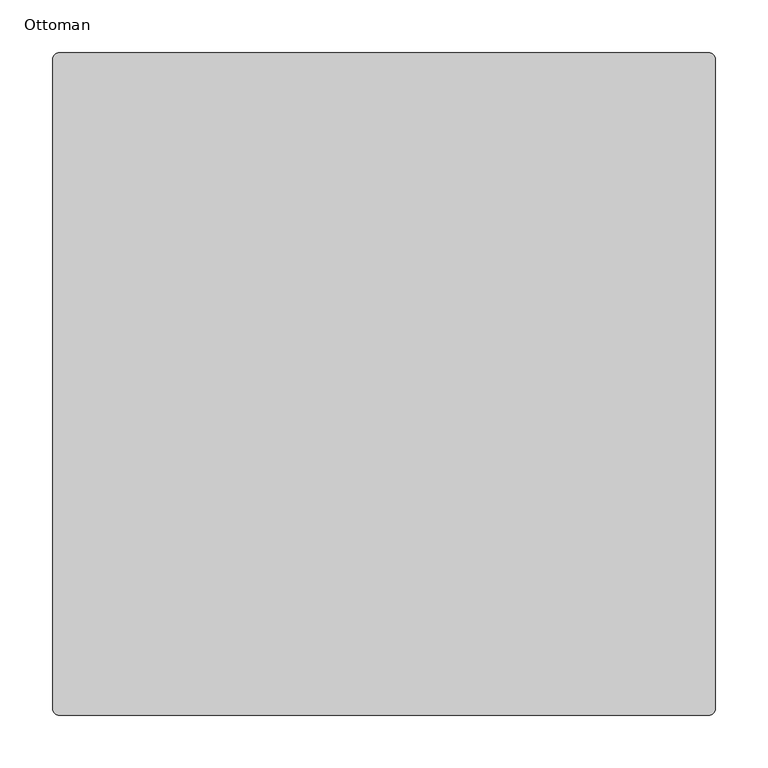
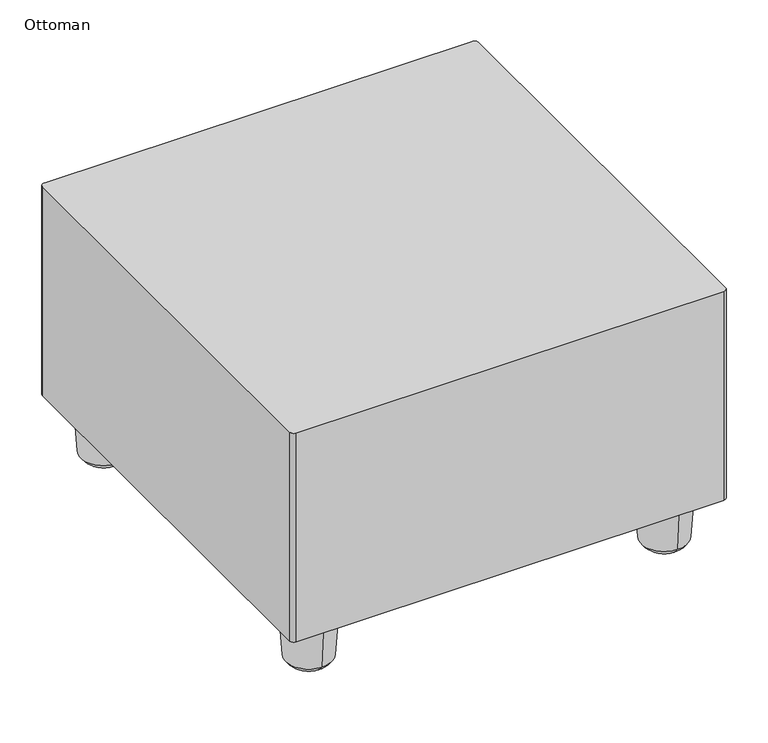
"""IFC4 building model written with IfcOpenShell, lengths in millimetres: furniture geometry, Ottoman."""

from ifc_helpers import new_model, si_unit, point, frame, frame_2d, origin, place, context, project, spatial, polyline, circle_curve, ellipse_curve, trimmed, segment, composite_curve, outline, extrude, source, transform, mapped, element, save
from ifc_brep_helpers import plane_surface, revolved_surface, advanced_brep


def ottoman_3cd3b6d3(model_context):
    return source(origin(), model_context, "Body", "SolidModel", [
        advanced_brep(
        [(-255.3853971, 290.6804747, 16.9889191), (-255.3853971, 224.5374995, 16.9889191), (-255.3853971, 219.5089871, 88.899997), (-255.3853971, 295.7089871, 88.899997), (-255.3853971, 257.6089871, 0.0), (-255.3853971, 257.6089871, 88.899997)],
        [
            (0, 1, circle_curve(frame((-255.3853971, 257.6089871, 16.9889191), z_axis=(0.0, 0.0, 1.0), x_axis=(0.0, -1.0, 0.0)), 33.0714876)),
            (1, 2),
            (2, 3, circle_curve(frame((-255.3853971, 257.6089871, 88.899997), z_axis=(0.0, 0.0, -1.0), x_axis=(0.0, -1.0, 0.0)), 38.1)),
            (3, 0),
            (1, 0, circle_curve(frame((-255.3853971, 257.6089871, 16.9889191), z_axis=(0.0, 0.0, 1.0), x_axis=(0.0, -1.0, 0.0)), 33.0714876)),
            (3, 2, circle_curve(frame((-255.3853971, 257.6089871, 88.899997), z_axis=(0.0, 0.0, -1.0), x_axis=(0.0, -1.0, 0.0)), 38.1)),
            (4, 1, circle_curve(frame((-255.3853971, 255.6717107, 36.9125731), z_axis=(-1.0, 0.0, 0.0), x_axis=(0.0, -1.0, 0.0)), 36.963375)),
            (0, 4, circle_curve(frame((-255.3853971, 259.5462635, 36.9125731), z_axis=(-1.0, 0.0, 0.0), x_axis=(0.0, 1.0, 0.0)), 36.963375)),
            (2, 5),
            (5, 3),
        ],
        [
            revolved_surface(polyline([(-255.3853971, 219.5089871, 88.899997), (-255.3853971, 224.5374995, 16.9889191)]), (-255.3853971, 257.6089871, 31.75), (0.0, 0.0, -1.0)),
            revolved_surface(trimmed(ellipse_curve(frame((-255.3853971, 255.6717107, 36.9125731), z_axis=(1.0, 0.0, 0.0), x_axis=(0.0, -1.0, 0.0)), 36.963375, 36.963375), [point((-255.3853971, 224.5374995, 16.9889191))], [point((-255.3853971, 257.6089871, 0.0))], True, "CARTESIAN"), (-255.3853971, 257.6089871, 31.75), (0.0, 0.0, -1.0)),
            plane_surface(frame((-255.3853971, 257.6089871, 88.899997), z_axis=(0.0, 0.0, 1.0), x_axis=(0.0, -1.0, 0.0))),
        ],
        [
            (0, [[1, 2, 3, 4]]),
            (0, [[5, -4, 6, -2]]),
            (1, [[7, -1, 8]]),
            (1, [[-8, -5, -7]]),
            (2, [[-3, 9, 10]]),
            (2, [[-6, -10, -9]]),
        ],
    ),
        advanced_brep(
        [(-255.3853971, -221.369951, 16.9889191), (-255.3853971, -287.5129262, 16.9889191), (-255.3853971, -292.5414386, 88.899997), (-255.3853971, -216.3414386, 88.899997), (-255.3853971, -254.4414386, 0.0), (-255.3853971, -254.4414386, 88.899997)],
        [
            (0, 1, circle_curve(frame((-255.3853971, -254.4414386, 16.9889191), z_axis=(0.0, 0.0, 1.0), x_axis=(0.0, -1.0, 0.0)), 33.0714876)),
            (1, 2),
            (2, 3, circle_curve(frame((-255.3853971, -254.4414386, 88.899997), z_axis=(0.0, 0.0, -1.0), x_axis=(0.0, -1.0, 0.0)), 38.1)),
            (3, 0),
            (1, 0, circle_curve(frame((-255.3853971, -254.4414386, 16.9889191), z_axis=(0.0, 0.0, 1.0), x_axis=(0.0, -1.0, 0.0)), 33.0714876)),
            (3, 2, circle_curve(frame((-255.3853971, -254.4414386, 88.899997), z_axis=(0.0, 0.0, -1.0), x_axis=(0.0, -1.0, 0.0)), 38.1)),
            (4, 1, circle_curve(frame((-255.3853971, -256.378715, 36.9125731), z_axis=(-1.0, 0.0, 0.0), x_axis=(0.0, -1.0, 0.0)), 36.963375)),
            (0, 4, circle_curve(frame((-255.3853971, -252.5041622, 36.9125731), z_axis=(-1.0, 0.0, 0.0), x_axis=(0.0, 1.0, 0.0)), 36.963375)),
            (2, 5),
            (5, 3),
        ],
        [
            revolved_surface(polyline([(-255.3853971, -292.5414386, 88.899997), (-255.3853971, -287.5129262, 16.9889191)]), (-255.3853971, -254.4414386, 31.75), (0.0, 0.0, -1.0)),
            revolved_surface(trimmed(ellipse_curve(frame((-255.3853971, -256.378715, 36.9125731), z_axis=(1.0, 0.0, 0.0), x_axis=(0.0, -1.0, 0.0)), 36.963375, 36.963375), [point((-255.3853971, -287.5129262, 16.9889191))], [point((-255.3853971, -254.4414386, 0.0))], True, "CARTESIAN"), (-255.3853971, -254.4414386, 31.75), (0.0, 0.0, -1.0)),
            plane_surface(frame((-255.3853971, -254.4414386, 88.899997), z_axis=(0.0, 0.0, 1.0), x_axis=(0.0, -1.0, 0.0))),
        ],
        [
            (0, [[1, 2, 3, 4]]),
            (0, [[5, -4, 6, -2]]),
            (1, [[7, -1, 8]]),
            (1, [[-8, -5, -7]]),
            (2, [[-3, 9, 10]]),
            (2, [[-6, -10, -9]]),
        ],
    ),
        advanced_brep(
        [(256.9513355, 290.6804747, 16.9889191), (256.9513355, 224.5374995, 16.9889191), (256.9513355, 219.5089871, 88.899997), (256.9513355, 295.7089871, 88.899997), (256.9513355, 257.6089871, 0.0), (256.9513355, 257.6089871, 88.899997)],
        [
            (0, 1, circle_curve(frame((256.9513355, 257.6089871, 16.9889191), z_axis=(0.0, 0.0, 1.0), x_axis=(0.0, -1.0, 0.0)), 33.0714876)),
            (1, 2),
            (2, 3, circle_curve(frame((256.9513355, 257.6089871, 88.899997), z_axis=(0.0, 0.0, -1.0), x_axis=(0.0, -1.0, 0.0)), 38.1)),
            (3, 0),
            (1, 0, circle_curve(frame((256.9513355, 257.6089871, 16.9889191), z_axis=(0.0, 0.0, 1.0), x_axis=(0.0, -1.0, 0.0)), 33.0714876)),
            (3, 2, circle_curve(frame((256.9513355, 257.6089871, 88.899997), z_axis=(0.0, 0.0, -1.0), x_axis=(0.0, -1.0, 0.0)), 38.1)),
            (4, 1, circle_curve(frame((256.9513355, 255.6717107, 36.9125731), z_axis=(-1.0, 0.0, 0.0), x_axis=(0.0, -1.0, 0.0)), 36.963375)),
            (0, 4, circle_curve(frame((256.9513355, 259.5462635, 36.9125731), z_axis=(-1.0, 0.0, 0.0), x_axis=(0.0, 1.0, 0.0)), 36.963375)),
            (2, 5),
            (5, 3),
        ],
        [
            revolved_surface(polyline([(256.9513355, 219.5089871, 88.899997), (256.9513355, 224.5374995, 16.9889191)]), (256.9513355, 257.6089871, 31.75), (0.0, 0.0, -1.0)),
            revolved_surface(trimmed(ellipse_curve(frame((256.9513355, 255.6717107, 36.9125731), z_axis=(1.0, 0.0, 0.0), x_axis=(0.0, -1.0, 0.0)), 36.963375, 36.963375), [point((256.9513355, 224.5374995, 16.9889191))], [point((256.9513355, 257.6089871, 0.0))], True, "CARTESIAN"), (256.9513355, 257.6089871, 31.75), (0.0, 0.0, -1.0)),
            plane_surface(frame((256.9513355, 257.6089871, 88.899997), z_axis=(0.0, 0.0, 1.0), x_axis=(0.0, -1.0, 0.0))),
        ],
        [
            (0, [[1, 2, 3, 4]]),
            (0, [[5, -4, 6, -2]]),
            (1, [[7, -1, 8]]),
            (1, [[-8, -5, -7]]),
            (2, [[-3, 9, 10]]),
            (2, [[-6, -10, -9]]),
        ],
    ),
        advanced_brep(
        [(256.9513355, -221.369951, 16.9889191), (256.9513355, -287.5129262, 16.9889191), (256.9513355, -292.5414386, 88.899997), (256.9513355, -216.3414386, 88.899997), (256.9513355, -254.4414386, 0.0), (256.9513355, -254.4414386, 88.899997)],
        [
            (0, 1, circle_curve(frame((256.9513355, -254.4414386, 16.9889191), z_axis=(0.0, 0.0, 1.0), x_axis=(0.0, -1.0, 0.0)), 33.0714876)),
            (1, 2),
            (2, 3, circle_curve(frame((256.9513355, -254.4414386, 88.899997), z_axis=(0.0, 0.0, -1.0), x_axis=(0.0, -1.0, 0.0)), 38.1)),
            (3, 0),
            (1, 0, circle_curve(frame((256.9513355, -254.4414386, 16.9889191), z_axis=(0.0, 0.0, 1.0), x_axis=(0.0, -1.0, 0.0)), 33.0714876)),
            (3, 2, circle_curve(frame((256.9513355, -254.4414386, 88.899997), z_axis=(0.0, 0.0, -1.0), x_axis=(0.0, -1.0, 0.0)), 38.1)),
            (4, 1, circle_curve(frame((256.9513355, -256.378715, 36.9125731), z_axis=(-1.0, 0.0, 0.0), x_axis=(0.0, -1.0, 0.0)), 36.963375)),
            (0, 4, circle_curve(frame((256.9513355, -252.5041622, 36.9125731), z_axis=(-1.0, 0.0, 0.0), x_axis=(0.0, 1.0, 0.0)), 36.963375)),
            (2, 5),
            (5, 3),
        ],
        [
            revolved_surface(polyline([(256.9513355, -292.5414386, 88.899997), (256.9513355, -287.5129262, 16.9889191)]), (256.9513355, -254.4414386, 31.75), (0.0, 0.0, -1.0)),
            revolved_surface(trimmed(ellipse_curve(frame((256.9513355, -256.378715, 36.9125731), z_axis=(1.0, 0.0, 0.0), x_axis=(0.0, -1.0, 0.0)), 36.963375, 36.963375), [point((256.9513355, -287.5129262, 16.9889191))], [point((256.9513355, -254.4414386, 0.0))], True, "CARTESIAN"), (256.9513355, -254.4414386, 31.75), (0.0, 0.0, -1.0)),
            plane_surface(frame((256.9513355, -254.4414386, 88.899997), z_axis=(0.0, 0.0, 1.0), x_axis=(0.0, -1.0, 0.0))),
        ],
        [
            (0, [[1, 2, 3, 4]]),
            (0, [[5, -4, 6, -2]]),
            (1, [[7, -1, 8]]),
            (1, [[-8, -5, -7]]),
            (2, [[-3, 9, 10]]),
            (2, [[-6, -10, -9]]),
        ],
    ),
        extrude(outline(composite_curve([segment(trimmed(circle_curve(frame_2d((307.9114864, 307.9114864)), 6.35), [point((307.9114864, 314.2614864))], [point((314.2614864, 307.9114864))], False, "CARTESIAN"), True, "CONTINUOUS"), segment(polyline([(314.2614864, 307.9114864), (314.2614864, -307.9115228)]), True, "CONTINUOUS"), segment(trimmed(circle_curve(frame_2d((307.9114864, -307.9115228)), 6.35), [point((314.2614864, -307.9115228))], [point((307.9114864, -314.2615228))], False, "CARTESIAN"), True, "CONTINUOUS"), segment(polyline([(307.9114864, -314.2615228), (-307.9115228, -314.2615228)]), True, "CONTINUOUS"), segment(trimmed(circle_curve(frame_2d((-307.9115228, -307.9115228)), 6.35), [point((-307.9115228, -314.2615228))], [point((-314.2615228, -307.9115228))], False, "CARTESIAN"), True, "CONTINUOUS"), segment(polyline([(-314.2615228, -307.9115228), (-314.2615228, 307.9114864)]), True, "CONTINUOUS"), segment(trimmed(circle_curve(frame_2d((-307.9115228, 307.9114864)), 6.35), [point((-314.2615228, 307.9114864))], [point((-307.9115228, 314.2614864))], False, "CARTESIAN"), True, "CONTINUOUS"), segment(polyline([(-307.9115228, 314.2614864), (307.9114864, 314.2614864)]), True, "CONTINUOUS")], self_intersect=False)), frame((0.0, 0.0, 90.4240046), z_axis=(0.0, 0.0, 1.0), x_axis=(1.0, 0.0, 0.0)), (0.0, 0.0, 1.0), 318.5160051),
    ])


if __name__ == "__main__":
    model = new_model("IFC4")
    model_context = context("Model", 3, world=origin())
    ifc_project = project(units=[si_unit("LENGTHUNIT", "METRE", prefix="MILLI")], contexts=[model_context])
    site = spatial("IfcSite", under=ifc_project)
    building = spatial("IfcBuilding", under=site)
    placement = place(None, origin())
    ottoman_shape = ottoman_3cd3b6d3(model_context)
    element("IfcFurniture", 1, ObjectType="Ottoman", at=placement, inside=building, context=model_context, shape_type="MappedRepresentation", body=[
        mapped(ottoman_shape, transform((0.0, 0.0, 0.0), x_axis=(1.0, 0.0, 0.0), y_axis=(0.0, 1.0, 0.0), z_axis=(0.0, 0.0, 1.0))),
    ])
    save(model, "model.ifc")
